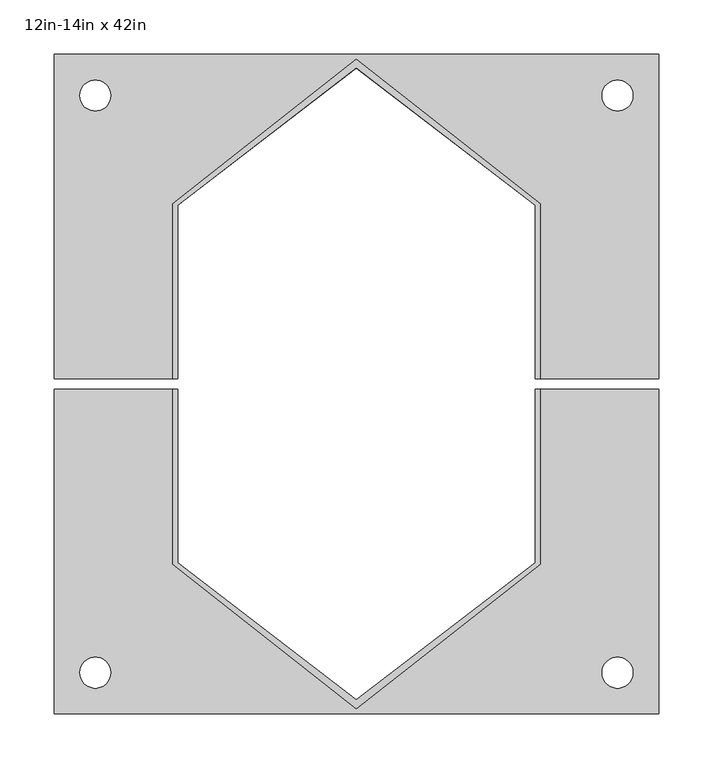
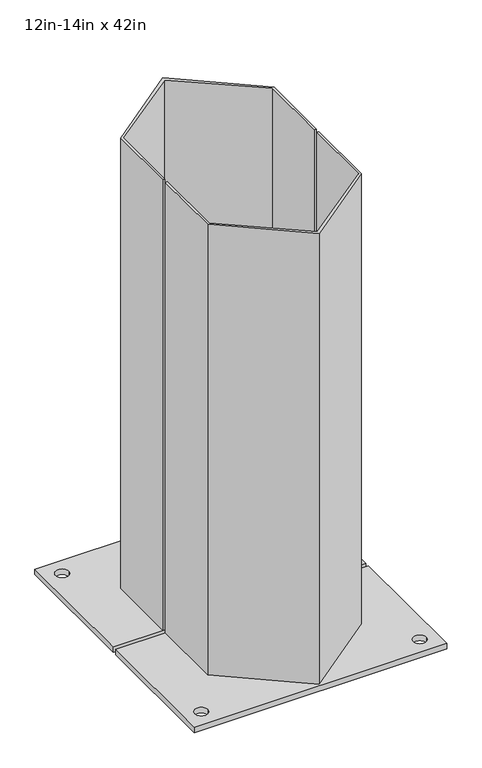
"""IFC4 building model written with IfcOpenShell, lengths in millimetres: proxy geometry, 12in-14in x 42in."""

from ifc_helpers import new_model, si_unit, point, frame, frame_2d, origin, origin_with_axes, place, context, project, spatial, polyline, circle_curve, trimmed, segment, composite_curve, outline, extrude, source, transform, mapped, element, save


def proxy_12in_14in_x_42in_e5d51a36(model_context):
    return source(origin(), model_context, "Body", "SweptSolid", [
        extrude(outline(polyline([(-165.1, 165.1), (-165.1, 4.8743442), (-169.8625, 4.8743442), (-169.8625, 166.6600037), (0.0, 300.0130919), (169.8625, 166.6600037), (169.8625, 4.8743442), (165.1, 4.8743442), (165.1, 165.1), (0.0, 291.963426), (-165.1, 165.1)])), frame((0.0, 0.0, 12.7), z_axis=(0.0, 0.0, 1.0), x_axis=(1.0, 0.0, 0.0)), (0.0, 0.0, 1.0), 1054.1),
        extrude(outline(polyline([(-165.1, -4.8743442), (-165.1, -165.1), (0.0, -291.963426), (165.1, -165.1), (165.1, -4.8743442), (169.8625, -4.8743442), (169.8625, -166.6600037), (0.0, -300.0130919), (-169.8625, -166.6600037), (-169.8625, -4.8743442), (-165.1, -4.8743442)])), frame((0.0, 0.0, 12.7), z_axis=(0.0, 0.0, 1.0), x_axis=(1.0, 0.0, 0.0)), (0.0, 0.0, 1.0), 1054.1),
        extrude(outline(polyline([(-279.4, 4.8743442), (-279.4, 304.8), (279.4, 304.8), (279.4, 4.8743442), (165.1, 4.8743442), (165.1, 165.1), (0.0, 291.963426), (-165.1, 165.1), (-165.1, 4.8743442), (-279.4, 4.8743442)]), holes=[composite_curve([segment(trimmed(circle_curve(frame_2d((-241.3, 266.7)), 14.2875), [point((-255.5875, 266.7))], [point((-227.0125, 266.7))], True, "CARTESIAN"), True, "CONTINUOUS"), segment(trimmed(circle_curve(frame_2d((-241.3, 266.7)), 14.2875), [point((-227.0125, 266.7))], [point((-255.5875, 266.7))], True, "CARTESIAN"), True, "CONTINUOUS")], self_intersect=False), composite_curve([segment(trimmed(circle_curve(frame_2d((241.3, 266.7)), 14.2875), [point((227.0125, 266.7))], [point((255.5875, 266.7))], True, "CARTESIAN"), True, "CONTINUOUS"), segment(trimmed(circle_curve(frame_2d((241.3, 266.7)), 14.2875), [point((255.5875, 266.7))], [point((227.0125, 266.7))], True, "CARTESIAN"), True, "CONTINUOUS")], self_intersect=False)]), origin_with_axes(), (0.0, 0.0, 1.0), 12.7),
        extrude(outline(polyline([(-279.4, -304.8), (-279.4, -4.8743442), (-165.1, -4.8743442), (-165.1, -165.1), (0.0, -291.963426), (165.1, -165.1), (165.1, -4.8743442), (279.4, -4.8743442), (279.4, -304.8), (-279.4, -304.8)]), holes=[composite_curve([segment(trimmed(circle_curve(frame_2d((241.3, -266.7)), 14.2875), [point((227.0125, -266.7))], [point((255.5875, -266.7))], True, "CARTESIAN"), True, "CONTINUOUS"), segment(trimmed(circle_curve(frame_2d((241.3, -266.7)), 14.2875), [point((255.5875, -266.7))], [point((227.0125, -266.7))], True, "CARTESIAN"), True, "CONTINUOUS")], self_intersect=False), composite_curve([segment(trimmed(circle_curve(frame_2d((-241.3, -266.7)), 14.2875), [point((-255.5875, -266.7))], [point((-227.0125, -266.7))], True, "CARTESIAN"), True, "CONTINUOUS"), segment(trimmed(circle_curve(frame_2d((-241.3, -266.7)), 14.2875), [point((-227.0125, -266.7))], [point((-255.5875, -266.7))], True, "CARTESIAN"), True, "CONTINUOUS")], self_intersect=False)]), origin_with_axes(), (0.0, 0.0, 1.0), 12.7),
    ])


if __name__ == "__main__":
    model = new_model("IFC4")
    model_context = context("Model", 3, world=origin())
    ifc_project = project(units=[si_unit("LENGTHUNIT", "METRE", prefix="MILLI")], contexts=[model_context])
    site = spatial("IfcSite", under=ifc_project)
    building = spatial("IfcBuilding", under=site)
    placement = place(None, origin())
    proxy_12in_14in_x_42in_shape = proxy_12in_14in_x_42in_e5d51a36(model_context)
    element("IfcBuildingElementProxy", 1, Name="12in-14in x 42in", ObjectType="12in-14in x 42in", at=placement, inside=building, context=model_context, shape_type="MappedRepresentation", body=[
        mapped(proxy_12in_14in_x_42in_shape, transform((0.0, 0.0, 0.0), x_axis=(1.0, 0.0, 0.0), y_axis=(0.0, 1.0, 0.0), z_axis=(0.0, 0.0, 1.0))),
    ])
    save(model, "model.ifc")
